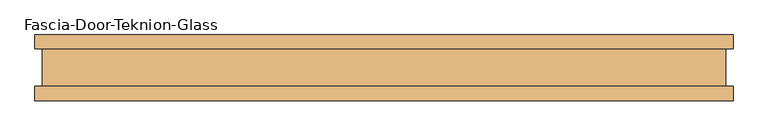
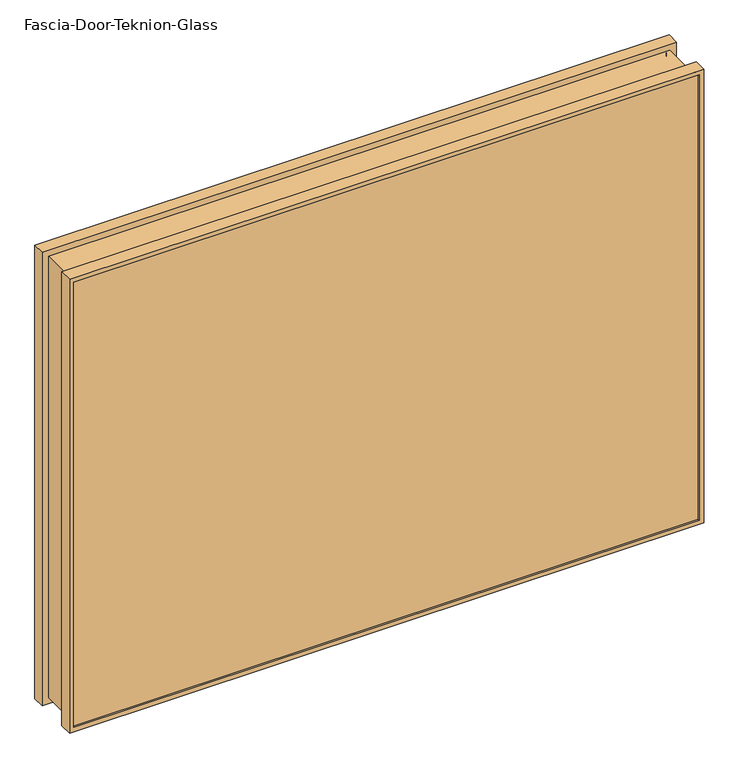
"""IFC4 building model written with IfcOpenShell, lengths in millimetres: door geometry, Fascia-Door-Teknion-Glass."""

from ifc_helpers import new_model, si_unit, frame, origin, place, context, project, spatial, polyline, ellipse_curve, outline, extrude, source, transform, mapped, element, save
from ifc_brep_helpers import plane_surface, cylinder_surface, advanced_brep


def fascia_door_teknion_glass_85182ea5(model_context):
    return source(origin(), model_context, "Body", "SolidModel", [
        advanced_brep(
        [(530.2351562, -50.0558594, 804.545), (530.2351562, -50.0558594, 3.175), (530.2351562, -28.2698798, 3.175), (530.2351562, -28.2698798, 804.545), (522.7999484, -47.1322551, 797.1097922), (522.7999484, -47.1322551, 10.6102078), (522.7999484, -50.0558594, 10.6102078), (522.7999484, -50.0558594, 797.1097922), (528.0826299, -41.1791301, 802.3924737), (528.0826299, -41.1791301, 5.3275263), (528.0826299, -47.1322551, 5.3275263), (528.0826299, -47.1322551, 802.3924737), (522.2777407, 40.9277344, 796.5875845), (522.2777407, 40.9277344, 11.1324155), (522.2777407, -41.1791301, 11.1324155), (522.2777407, -41.1791301, 796.5875845), (528.0826299, 46.8808594, 802.3924737), (528.0826299, 46.8808594, 5.3275263), (528.0826299, 40.9277344, 5.3275263), (528.0826299, 40.9277344, 802.3924737), (522.7999484, 50.0558594, 797.1097922), (522.7999484, 50.0558594, 10.6102078), (522.7999484, 46.8808594, 10.6102078), (522.7999484, 46.8808594, 797.1097922), (530.2351562, 28.8801202, 804.545), (530.2351562, 28.8801202, 3.175), (530.2351562, 50.0558594, 3.175), (530.2351562, 50.0558594, 804.545), (519.3833148, -28.2698798, 793.6931586), (519.3833148, -28.2698798, 14.0268414), (519.3833148, 28.8801202, 14.0268414), (519.3833148, 28.8801202, 793.6931586), (-530.2351562, -50.0558594, 3.175), (-530.2351562, -28.2698798, 3.175), (-522.7999484, -47.1322551, 10.6102078), (-522.7999484, -50.0558594, 10.6102078), (-528.0826299, -41.1791301, 5.3275263), (-528.0826299, -47.1322551, 5.3275263), (-522.2777407, 40.9277344, 11.1324155), (-522.2777407, -41.1791301, 11.1324155), (-528.0826299, 46.8808594, 5.3275263), (-528.0826299, 40.9277344, 5.3275263), (-522.7999484, 50.0558594, 10.6102078), (-522.7999484, 46.8808594, 10.6102078), (-530.2351562, 28.8801202, 3.175), (-530.2351562, 50.0558594, 3.175), (-519.3833148, -28.2698798, 14.0268414), (-519.3833148, 28.8801202, 14.0268414), (-530.2351562, -50.0558594, 804.545), (-530.2351562, -28.2698798, 804.545), (-522.7999484, -47.1322551, 797.1097922), (-522.7999484, -50.0558594, 797.1097922), (-528.0826299, -41.1791301, 802.3924737), (-528.0826299, -47.1322551, 802.3924737), (-522.2777407, 40.9277344, 796.5875845), (-522.2777407, -41.1791301, 796.5875845), (-528.0826299, 46.8808594, 802.3924737), (-528.0826299, 40.9277344, 802.3924737), (-522.7999484, 50.0558594, 797.1097922), (-522.7999484, 46.8808594, 797.1097922), (-530.2351562, 28.8801202, 804.545), (-530.2351562, 50.0558594, 804.545), (-519.3833148, -28.2698798, 793.6931586), (-519.3833148, 28.8801202, 793.6931586)],
        [
            (0, 1),
            (1, 2),
            (2, 3),
            (3, 0),
            (4, 5),
            (5, 6),
            (6, 7),
            (7, 4),
            (8, 9),
            (9, 10),
            (10, 11),
            (11, 8),
            (12, 13),
            (13, 14, ellipse_curve(frame((561.663583, -0.1256979, -28.2534268), z_axis=(0.7071067811865475, 0.0, 0.7071067811865475), x_axis=(-0.7071067811865474, 0.0, 0.7071067811865476)), 80.4565581, 56.8913778)),
            (14, 15),
            (15, 12, ellipse_curve(frame((561.663583, -0.1256979, 835.9734268), z_axis=(0.7071067811865475, 0.0, -0.7071067811865475), x_axis=(0.7071067811865474, 0.0, 0.7071067811865476)), 80.4565581, 56.8913778)),
            (16, 17),
            (17, 18),
            (18, 19),
            (19, 16),
            (20, 21),
            (21, 22),
            (22, 23),
            (23, 20),
            (24, 25),
            (25, 26),
            (26, 27),
            (27, 24),
            (28, 29),
            (29, 30),
            (30, 31),
            (31, 28),
            (1, 32),
            (32, 33),
            (33, 2),
            (5, 34),
            (34, 35),
            (35, 6),
            (9, 36),
            (36, 37),
            (37, 10),
            (13, 38),
            (38, 39, ellipse_curve(frame((-561.663583, -0.1256979, -28.2534268), z_axis=(0.7071067811865475, 0.0, -0.7071067811865475), x_axis=(0.7071067811865476, 0.0, 0.7071067811865474)), 80.4565581, 56.8913778)),
            (39, 14),
            (17, 40),
            (40, 41),
            (41, 18),
            (21, 42),
            (42, 43),
            (43, 22),
            (25, 44),
            (44, 45),
            (45, 26),
            (29, 46),
            (46, 47),
            (47, 30),
            (32, 48),
            (48, 49),
            (49, 33),
            (34, 50),
            (50, 51),
            (51, 35),
            (36, 52),
            (52, 53),
            (53, 37),
            (38, 54),
            (54, 55, ellipse_curve(frame((-561.663583, -0.1256979, 835.9734268), z_axis=(-0.7071067811865475, 0.0, -0.7071067811865475), x_axis=(0.7071067811865474, 0.0, -0.7071067811865476)), 80.4565581, 56.8913778)),
            (55, 39),
            (40, 56),
            (56, 57),
            (57, 41),
            (42, 58),
            (58, 59),
            (59, 43),
            (44, 60),
            (60, 61),
            (61, 45),
            (46, 62),
            (62, 63),
            (63, 47),
            (48, 0),
            (3, 49),
            (51, 7),
            (50, 4),
            (53, 11),
            (52, 8),
            (55, 15),
            (54, 12),
            (57, 19),
            (56, 16),
            (59, 23),
            (58, 20),
            (61, 27),
            (60, 24),
            (63, 31),
            (62, 28),
        ],
        [
            plane_surface(frame((530.2351562, -28.2698798, 804.545), z_axis=(1.0, 0.0, 0.0), x_axis=(0.0, 0.0, -1.0))),
            plane_surface(frame((522.7999484, -50.0558594, 797.1097922), z_axis=(-1.0, 0.0, 0.0), x_axis=(0.0, 0.0, -1.0))),
            plane_surface(frame((528.0826299, -47.1322551, 802.3924737), z_axis=(-1.0, 0.0, 0.0), x_axis=(0.0, 0.0, -1.0))),
            cylinder_surface(frame((561.663583, -0.1256979, 804.545), z_axis=(0.0, 0.0, 1.0), x_axis=(1.0, 0.0, 0.0)), 56.8913778),
            plane_surface(frame((528.0826299, 40.9277344, 802.3924737), z_axis=(-1.0, 0.0, 0.0), x_axis=(0.0, 0.0, -1.0))),
            plane_surface(frame((522.7999484, 46.8808594, 797.1097922), z_axis=(-1.0, 0.0, 0.0), x_axis=(0.0, 0.0, -1.0))),
            plane_surface(frame((530.2351562, 50.0558594, 804.545), z_axis=(1.0, 0.0, 0.0), x_axis=(0.0, 0.0, -1.0))),
            plane_surface(frame((519.3833148, 28.8801202, 793.6931586), z_axis=(1.0, 0.0, 0.0), x_axis=(0.0, 0.0, -1.0))),
            plane_surface(frame((530.2351562, -28.2698798, 3.175), z_axis=(0.0, 0.0, -1.0), x_axis=(-1.0, 0.0, 0.0))),
            plane_surface(frame((522.7999484, -50.0558594, 10.6102078), z_axis=(0.0, 0.0, 1.0), x_axis=(-1.0, 0.0, 0.0))),
            plane_surface(frame((528.0826299, -47.1322551, 5.3275263), z_axis=(0.0, 0.0, 1.0), x_axis=(-1.0, 0.0, 0.0))),
            cylinder_surface(frame((530.2351562, -0.1256979, -28.2534268), z_axis=(1.0, 0.0, 0.0), x_axis=(0.0, 0.0, -1.0)), 56.8913778),
            plane_surface(frame((528.0826299, 40.9277344, 5.3275263), z_axis=(0.0, 0.0, 1.0), x_axis=(-1.0, 0.0, 0.0))),
            plane_surface(frame((522.7999484, 46.8808594, 10.6102078), z_axis=(0.0, 0.0, 1.0), x_axis=(-1.0, 0.0, 0.0))),
            plane_surface(frame((530.2351562, 50.0558594, 3.175), z_axis=(0.0, 0.0, -1.0), x_axis=(-1.0, 0.0, 0.0))),
            plane_surface(frame((519.3833148, 28.8801202, 14.0268414), z_axis=(0.0, 0.0, -1.0), x_axis=(-1.0, 0.0, 0.0))),
            plane_surface(frame((-530.2351562, -28.2698798, 3.175), z_axis=(-1.0, 0.0, 0.0), x_axis=(0.0, 0.0, 1.0))),
            plane_surface(frame((-522.7999484, -50.0558594, 10.6102078), z_axis=(1.0, 0.0, 0.0), x_axis=(0.0, 0.0, 1.0))),
            plane_surface(frame((-528.0826299, -47.1322551, 5.3275263), z_axis=(1.0, 0.0, 0.0), x_axis=(0.0, 0.0, 1.0))),
            cylinder_surface(frame((-561.663583, -0.1256979, 3.175), z_axis=(0.0, 0.0, -1.0), x_axis=(-1.0, 0.0, 0.0)), 56.8913778),
            plane_surface(frame((-528.0826299, 40.9277344, 5.3275263), z_axis=(1.0, 0.0, 0.0), x_axis=(0.0, 0.0, 1.0))),
            plane_surface(frame((-522.7999484, 46.8808594, 10.6102078), z_axis=(1.0, 0.0, 0.0), x_axis=(0.0, 0.0, 1.0))),
            plane_surface(frame((-530.2351562, 50.0558594, 3.175), z_axis=(-1.0, 0.0, 0.0), x_axis=(0.0, 0.0, 1.0))),
            plane_surface(frame((-519.3833148, 28.8801202, 14.0268414), z_axis=(-1.0, 0.0, 0.0), x_axis=(0.0, 0.0, 1.0))),
            plane_surface(frame((-530.2351562, -28.2698798, 804.545), z_axis=(0.0, 0.0, 1.0), x_axis=(1.0, 0.0, 0.0))),
            plane_surface(frame((-530.2351562, -50.0558594, 804.545), z_axis=(0.0, -1.0, 0.0), x_axis=(1.0, 0.0, 0.0))),
            plane_surface(frame((-522.7999484, -50.0558594, 797.1097922), z_axis=(0.0, 0.0, -1.0), x_axis=(1.0, 0.0, 0.0))),
            plane_surface(frame((-522.7999484, -47.1322551, 797.1097922), z_axis=(0.0, 1.0, 0.0), x_axis=(1.0, 0.0, 0.0))),
            plane_surface(frame((-528.0826299, -47.1322551, 802.3924737), z_axis=(0.0, 0.0, -1.0), x_axis=(1.0, 0.0, 0.0))),
            plane_surface(frame((-528.0826299, -41.1791301, 802.3924737), z_axis=(0.0, -1.0, 0.0), x_axis=(1.0, 0.0, 0.0))),
            cylinder_surface(frame((-530.2351562, -0.1256979, 835.9734268), z_axis=(-1.0, 0.0, 0.0), x_axis=(0.0, 0.0, 1.0)), 56.8913778),
            plane_surface(frame((-522.2777407, 40.9277344, 796.5875845), z_axis=(0.0, 1.0, 0.0), x_axis=(1.0, 0.0, 0.0))),
            plane_surface(frame((-528.0826299, 40.9277344, 802.3924737), z_axis=(0.0, 0.0, -1.0), x_axis=(1.0, 0.0, 0.0))),
            plane_surface(frame((-528.0826299, 46.8808594, 802.3924737), z_axis=(0.0, -1.0, 0.0), x_axis=(1.0, 0.0, 0.0))),
            plane_surface(frame((-522.7999484, 46.8808594, 797.1097922), z_axis=(0.0, 0.0, -1.0), x_axis=(1.0, 0.0, 0.0))),
            plane_surface(frame((-522.7999484, 50.0558594, 797.1097922), z_axis=(0.0, 1.0, 0.0), x_axis=(1.0, 0.0, 0.0))),
            plane_surface(frame((-530.2351562, 50.0558594, 804.545), z_axis=(0.0, 0.0, 1.0), x_axis=(1.0, 0.0, 0.0))),
            plane_surface(frame((-530.2351562, 28.8801202, 804.545), z_axis=(0.0, -1.0, 0.0), x_axis=(1.0, 0.0, 0.0))),
            plane_surface(frame((-519.3833148, 28.8801202, 793.6931586), z_axis=(0.0, 0.0, 1.0), x_axis=(1.0, 0.0, 0.0))),
            plane_surface(frame((-519.3833148, -28.2698798, 793.6931586), z_axis=(0.0, 1.0, 0.0), x_axis=(1.0, 0.0, 0.0))),
        ],
        [
            (0, [[1, 2, 3, 4]]),
            (1, [[5, 6, 7, 8]]),
            (2, [[9, 10, 11, 12]]),
            (3, [[13, 14, 15, 16]]),
            (4, [[17, 18, 19, 20]]),
            (5, [[21, 22, 23, 24]]),
            (6, [[25, 26, 27, 28]]),
            (7, [[29, 30, 31, 32]]),
            (8, [[33, 34, 35, -2]]),
            (9, [[36, 37, 38, -6]]),
            (10, [[39, 40, 41, -10]]),
            (11, [[42, 43, 44, -14]]),
            (12, [[45, 46, 47, -18]]),
            (13, [[48, 49, 50, -22]]),
            (14, [[51, 52, 53, -26]]),
            (15, [[54, 55, 56, -30]]),
            (16, [[57, 58, 59, -34]]),
            (17, [[60, 61, 62, -37]]),
            (18, [[63, 64, 65, -40]]),
            (19, [[66, 67, 68, -43]]),
            (20, [[69, 70, 71, -46]]),
            (21, [[72, 73, 74, -49]]),
            (22, [[75, 76, 77, -52]]),
            (23, [[78, 79, 80, -55]]),
            (24, [[81, -4, 82, -58]]),
            (25, [[-1, -81, -57, -33], [-7, -38, -62, 83]]),
            (26, [[84, -8, -83, -61]]),
            (27, [[-11, -41, -65, 85], [-5, -84, -60, -36]]),
            (28, [[86, -12, -85, -64]]),
            (29, [[-9, -86, -63, -39], [-15, -44, -68, 87]]),
            (30, [[88, -16, -87, -67]]),
            (31, [[-19, -47, -71, 89], [-13, -88, -66, -42]]),
            (32, [[90, -20, -89, -70]]),
            (33, [[-17, -90, -69, -45], [-23, -50, -74, 91]]),
            (34, [[92, -24, -91, -73]]),
            (35, [[-27, -53, -77, 93], [-21, -92, -72, -48]]),
            (36, [[94, -28, -93, -76]]),
            (37, [[-25, -94, -75, -51], [-31, -56, -80, 95]]),
            (38, [[96, -32, -95, -79]]),
            (39, [[-3, -35, -59, -82], [-29, -96, -78, -54]]),
        ],
    ),
        extrude(outline(polyline([(528.0826299, 40.9277344), (-528.0826299, 40.9277344), (-528.0826299, 46.8808594), (528.0826299, 46.8808594), (528.0826299, 40.9277344)])), frame((0.0, 0.0, 5.3275263), z_axis=(0.0, 0.0, 1.0), x_axis=(1.0, 0.0, 0.0)), (0.0, 0.0, 1.0), 796.570928),
        extrude(outline(polyline([(528.0826299, -41.1791301), (528.0826299, -47.1322551), (-528.0826299, -47.1322551), (-528.0826299, -41.1791301), (528.0826299, -41.1791301)])), frame((0.0, 0.0, 5.3275263), z_axis=(0.0, 0.0, 1.0), x_axis=(1.0, 0.0, 0.0)), (0.0, 0.0, 1.0), 796.570928),
    ])


if __name__ == "__main__":
    model = new_model("IFC4")
    model_context = context("Model", 3, world=origin())
    ifc_project = project(units=[si_unit("LENGTHUNIT", "METRE", prefix="MILLI")], contexts=[model_context])
    site = spatial("IfcSite", under=ifc_project)
    building = spatial("IfcBuilding", under=site)
    placement = place(None, origin())
    fascia_door_teknion_glass_shape = fascia_door_teknion_glass_85182ea5(model_context)
    element("IfcDoor", 1, ObjectType="Fascia-Door-Teknion-Glass", at=placement, inside=building, context=model_context, shape_type="MappedRepresentation", body=[
        mapped(fascia_door_teknion_glass_shape, transform((0.0, 0.0, 0.0), x_axis=(1.0, 0.0, 0.0), y_axis=(0.0, 1.0, 0.0), z_axis=(0.0, 0.0, 1.0))),
    ])
    save(model, "model.ifc")
